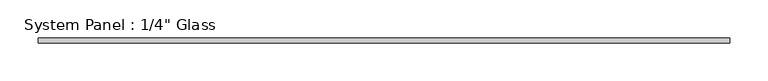
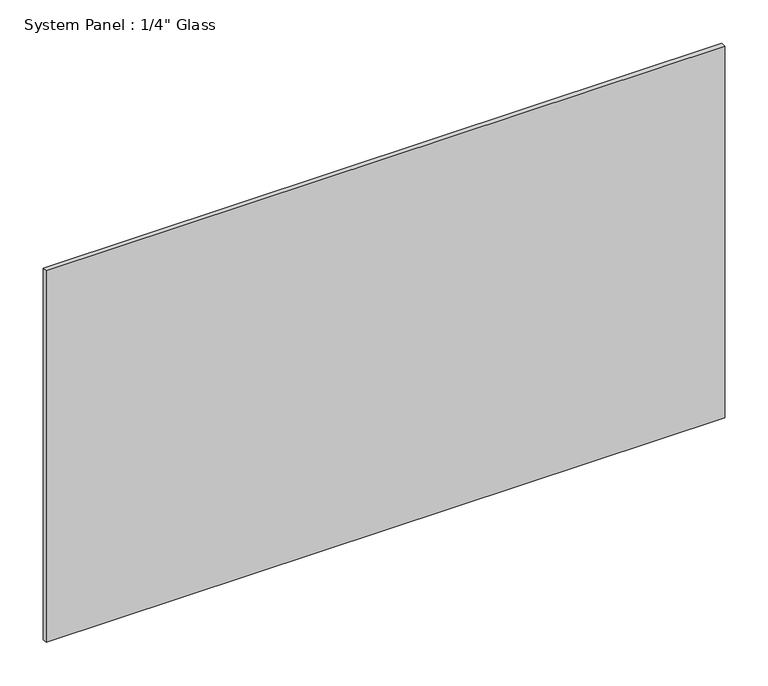
"""IFC4 building model written with IfcOpenShell, lengths in millimetres: plate geometry."""

from ifc_helpers import new_model, si_unit, origin, origin_with_axes, place, context, project, spatial, polyline, outline, extrude, source, transform, mapped, element, save


def plate_f0590d6e(model_context):
    return source(origin(), model_context, "Body", "SweptSolid", [
        extrude(outline(polyline([(452.4375, -3.175), (-452.4375, -3.175), (-452.4375, 3.175), (452.4375, 3.175), (452.4375, -3.175)])), origin_with_axes(), (0.0, 0.0, 1.0), 523.875),
    ])


if __name__ == "__main__":
    model = new_model("IFC4")
    model_context = context("Model", 3, world=origin())
    ifc_project = project(units=[si_unit("LENGTHUNIT", "METRE", prefix="MILLI")], contexts=[model_context])
    site = spatial("IfcSite", under=ifc_project)
    building = spatial("IfcBuilding", under=site)
    placement = place(None, origin())
    plate_shape = plate_f0590d6e(model_context)
    element("IfcPlate", 1, ObjectType="System Panel : 1/4\" Glass", at=placement, inside=building, context=model_context, shape_type="MappedRepresentation", body=[
        mapped(plate_shape, transform((0.0, 0.0, 0.0), x_axis=(1.0, 0.0, 0.0), y_axis=(0.0, 1.0, 0.0), z_axis=(0.0, 0.0, 1.0))),
    ])
    save(model, "model.ifc")
